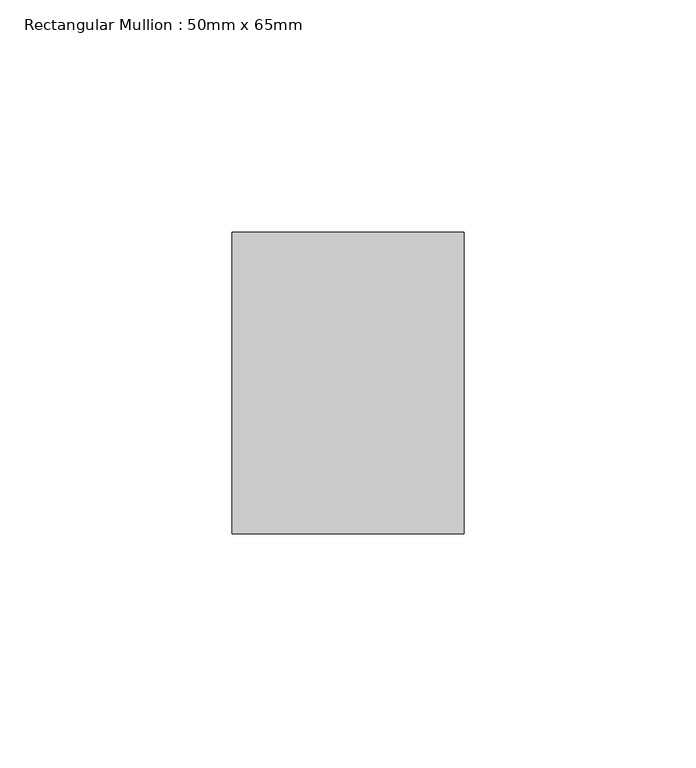
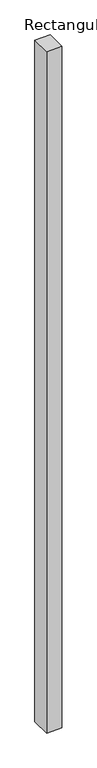
"""IFC4 building model written with IfcOpenShell, lengths in millimetres: member geometry, Rectangular Mullion : 50mm x 65mm."""

from ifc_helpers import new_model, si_unit, frame, origin, place, context, project, spatial, polyline, outline, extrude, source, transform, mapped, element, save


def rectangular_mullion_50mm_x_65mm_0e99ef1a(model_context):
    return source(origin(), model_context, "Body", "SweptSolid", [
        extrude(outline(polyline([(25.0, 32.5), (25.0, -32.5), (-25.0, -32.5), (-25.0, 32.5), (25.0, 32.5)])), frame((0.0, 0.0, -2332.1773683), z_axis=(0.0, 0.0, 1.0), x_axis=(1.0, 0.0, 0.0)), (0.0, 0.0, 1.0), 2332.1773683),
    ])


if __name__ == "__main__":
    model = new_model("IFC4")
    model_context = context("Model", 3, world=origin())
    ifc_project = project(units=[si_unit("LENGTHUNIT", "METRE", prefix="MILLI")], contexts=[model_context])
    site = spatial("IfcSite", under=ifc_project)
    building = spatial("IfcBuilding", under=site)
    placement = place(None, origin())
    rectangular_mullion_50mm_x_65mm_shape = rectangular_mullion_50mm_x_65mm_0e99ef1a(model_context)
    element("IfcMember", 1, ObjectType="Rectangular Mullion : 50mm x 65mm", at=placement, inside=building, context=model_context, shape_type="MappedRepresentation", body=[
        mapped(rectangular_mullion_50mm_x_65mm_shape, transform((0.0, 0.0, 0.0), x_axis=(1.0, 0.0, 0.0), y_axis=(0.0, 1.0, 0.0), z_axis=(0.0, 0.0, 1.0))),
    ])
    save(model, "model.ifc")
